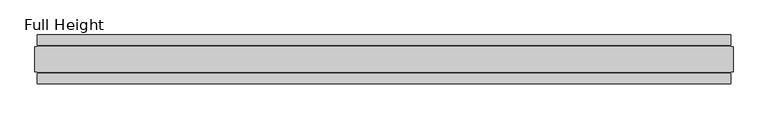
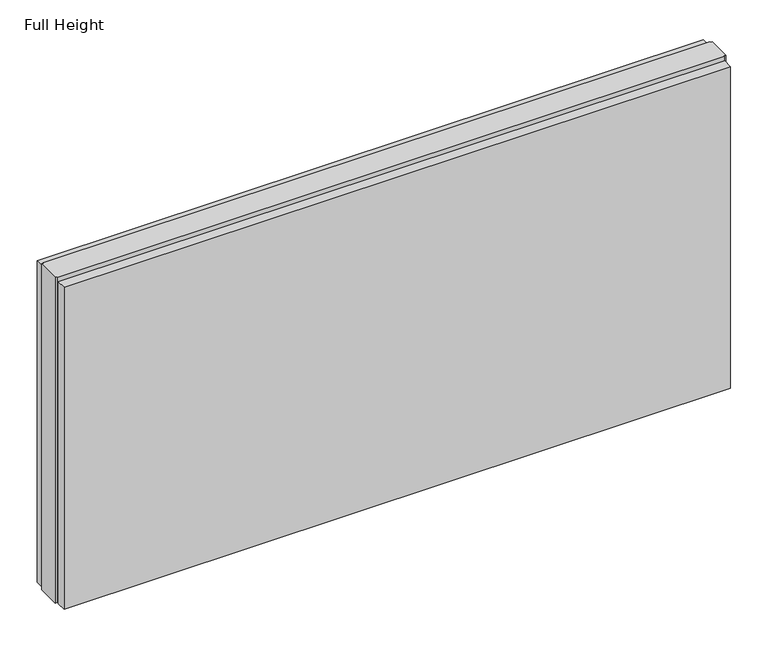
"""IFC4 building model written with IfcOpenShell, lengths in millimetres: plate geometry, Full Height."""

from ifc_helpers import new_model, si_unit, origin, origin_with_axes, place, context, project, spatial, polyline, outline, extrude, source, transform, mapped, element, save


def full_height_fe9b2385(model_context):
    return source(origin(), model_context, "Body", "SweptSolid", [
        extrude(outline(polyline([(706.628, 28.956), (-706.628, 28.956), (-706.628, 49.53), (706.628, 49.53), (706.628, 28.956)])), origin_with_axes(), (0.0, 0.0, 1.0), 720.852),
        extrude(outline(polyline([(706.628, -28.956), (706.628, -49.53), (-706.628, -49.53), (-706.628, -28.956), (706.628, -28.956)])), origin_with_axes(), (0.0, 0.0, 1.0), 720.852),
        extrude(outline(polyline([(706.628, -25.146), (706.628, -26.67), (-706.628, -26.67), (-706.628, -25.146), (-711.2, -25.146), (-711.2, 25.146), (-706.628, 25.146), (-706.628, 26.67), (706.628, 26.67), (706.628, 25.146), (711.2, 25.146), (711.2, -25.146), (706.628, -25.146)])), origin_with_axes(), (0.0, 0.0, 1.0), 729.996),
    ])


if __name__ == "__main__":
    model = new_model("IFC4")
    model_context = context("Model", 3, world=origin())
    ifc_project = project(units=[si_unit("LENGTHUNIT", "METRE", prefix="MILLI")], contexts=[model_context])
    site = spatial("IfcSite", under=ifc_project)
    building = spatial("IfcBuilding", under=site)
    placement = place(None, origin())
    full_height_shape = full_height_fe9b2385(model_context)
    element("IfcPlate", 1, ObjectType="Full Height", at=placement, inside=building, context=model_context, shape_type="MappedRepresentation", body=[
        mapped(full_height_shape, transform((0.0, 0.0, 0.0), x_axis=(1.0, 0.0, 0.0), y_axis=(0.0, 1.0, 0.0), z_axis=(0.0, 0.0, 1.0))),
    ])
    save(model, "model.ifc")
